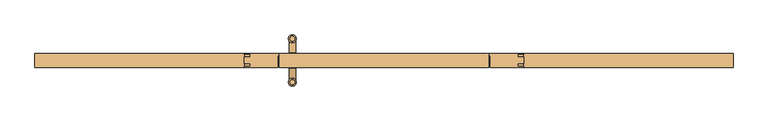
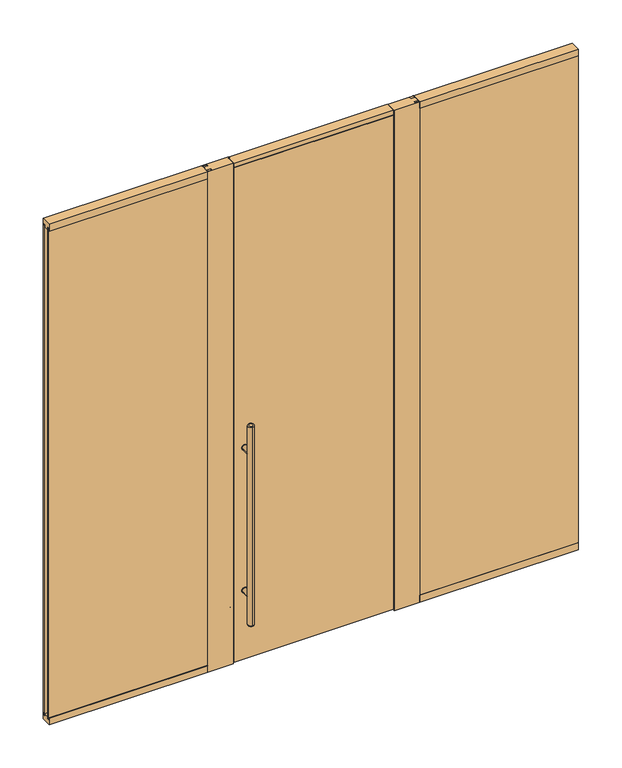
"""IFC4 building model written with IfcOpenShell, lengths in millimetres: door geometry."""

from ifc_helpers import new_model, si_unit, point, frame, frame_2d, origin, origin_with_axes, place, context, project, spatial, polyline, circle_curve, ellipse_curve, trimmed, segment, composite_curve, outline, extrude, faceted_brep, source, transform, mapped, element, save
from ifc_brep_helpers import plane_surface, cylinder_surface, revolved_surface, advanced_brep


def door_b91dc751(model_context):
    return source(origin(), model_context, "Body", "SolidModel", [
        extrude(outline(composite_curve([segment(trimmed(circle_curve(frame_2d((428.625, -400.05)), 15.875), [point((428.625, -415.925))], [point((428.625, -384.175))], False, "CARTESIAN"), True, "CONTINUOUS"), segment(trimmed(circle_curve(frame_2d((428.625, -400.05)), 15.875), [point((428.625, -384.175))], [point((428.625, -415.925))], False, "CARTESIAN"), True, "CONTINUOUS")], self_intersect=False)), frame((0.0, 30.1625, 0.0), z_axis=(0.0, 1.0, 0.0), x_axis=(0.0, 0.0, 1.0)), (0.0, 0.0, 1.0), 3.175),
        extrude(outline(composite_curve([segment(trimmed(circle_curve(frame_2d((1298.575, -400.05)), 15.875), [point((1298.575, -384.175))], [point((1298.575, -415.925))], False, "CARTESIAN"), True, "CONTINUOUS"), segment(trimmed(circle_curve(frame_2d((1298.575, -400.05)), 15.875), [point((1298.575, -415.925))], [point((1298.575, -384.175))], False, "CARTESIAN"), True, "CONTINUOUS")], self_intersect=False)), frame((0.0, 30.1625, 0.0), z_axis=(0.0, 1.0, 0.0), x_axis=(0.0, 0.0, 1.0)), (0.0, 0.0, 1.0), 3.175),
        extrude(outline(composite_curve([segment(trimmed(circle_curve(frame_2d((428.625, -400.05)), 15.875), [point((428.625, -415.925))], [point((428.625, -384.175))], False, "CARTESIAN"), True, "CONTINUOUS"), segment(trimmed(circle_curve(frame_2d((428.625, -400.05)), 15.875), [point((428.625, -384.175))], [point((428.625, -415.925))], False, "CARTESIAN"), True, "CONTINUOUS")], self_intersect=False)), frame((0.0, -33.3375, 0.0), z_axis=(0.0, 1.0, 0.0), x_axis=(0.0, 0.0, 1.0)), (0.0, 0.0, 1.0), 3.175),
        extrude(outline(composite_curve([segment(trimmed(circle_curve(frame_2d((1298.575, -400.05)), 15.875), [point((1298.575, -415.925))], [point((1298.575, -384.175))], False, "CARTESIAN"), True, "CONTINUOUS"), segment(trimmed(circle_curve(frame_2d((1298.575, -400.05)), 15.875), [point((1298.575, -384.175))], [point((1298.575, -415.925))], False, "CARTESIAN"), True, "CONTINUOUS")], self_intersect=False)), frame((0.0, -33.3375, 0.0), z_axis=(0.0, 1.0, 0.0), x_axis=(0.0, 0.0, 1.0)), (0.0, 0.0, 1.0), 3.175),
        extrude(outline(composite_curve([segment(trimmed(circle_curve(frame_2d((428.625, -400.05)), 14.2875), [point((428.625, -385.7625))], [point((428.625, -414.3375))], False, "CARTESIAN"), True, "CONTINUOUS"), segment(trimmed(circle_curve(frame_2d((428.625, -400.05)), 14.2875), [point((428.625, -414.3375))], [point((428.625, -385.7625))], False, "CARTESIAN"), True, "CONTINUOUS")], self_intersect=False)), frame((0.0, -95.25, 0.0), z_axis=(0.0, 1.0, 0.0), x_axis=(0.0, 0.0, 1.0)), (0.0, 0.0, 1.0), 65.0875),
        extrude(outline(composite_curve([segment(trimmed(circle_curve(frame_2d((1298.575, -400.05)), 14.2875), [point((1298.575, -385.7625))], [point((1298.575, -414.3375))], False, "CARTESIAN"), True, "CONTINUOUS"), segment(trimmed(circle_curve(frame_2d((1298.575, -400.05)), 14.2875), [point((1298.575, -414.3375))], [point((1298.575, -385.7625))], False, "CARTESIAN"), True, "CONTINUOUS")], self_intersect=False)), frame((0.0, -95.25, 0.0), z_axis=(0.0, 1.0, 0.0), x_axis=(0.0, 0.0, 1.0)), (0.0, 0.0, 1.0), 65.0875),
        advanced_brep(
        [(-400.05, 84.455, 1473.2), (-400.05, 106.045, 1473.2), (-400.05, 106.045, 254.0), (-400.05, 84.455, 254.0), (-400.05, 112.395, 260.35), (-400.05, 112.395, 1466.85), (-400.05, 78.105, 1466.85), (-400.05, 78.105, 260.35)],
        [
            (0, 1, circle_curve(frame((-400.05, 95.25, 1473.2), z_axis=(0.0, 0.0, 1.0), x_axis=(0.0, -1.0, 0.0)), 10.795)),
            (1, 0, circle_curve(frame((-400.05, 95.25, 1473.2), z_axis=(0.0, 0.0, 1.0), x_axis=(0.0, -1.0, 0.0)), 10.795)),
            (2, 3, circle_curve(frame((-400.05, 95.25, 254.0), z_axis=(0.0, 0.0, -1.0), x_axis=(0.0, -1.0, 0.0)), 10.795)),
            (3, 2, circle_curve(frame((-400.05, 95.25, 254.0), z_axis=(0.0, 0.0, -1.0), x_axis=(0.0, -1.0, 0.0)), 10.795)),
            (4, 5),
            (5, 6, circle_curve(frame((-400.05, 95.25, 1466.85), z_axis=(0.0, 0.0, -1.0), x_axis=(0.0, -1.0, 0.0)), 17.145)),
            (6, 7),
            (7, 4, circle_curve(frame((-400.05, 95.25, 260.35), z_axis=(0.0, 0.0, 1.0), x_axis=(0.0, -1.0, 0.0)), 17.145)),
            (6, 5, circle_curve(frame((-400.05, 95.25, 1466.85), z_axis=(0.0, 0.0, -1.0), x_axis=(0.0, -1.0, 0.0)), 17.145)),
            (4, 7, circle_curve(frame((-400.05, 95.25, 260.35), z_axis=(0.0, 0.0, 1.0), x_axis=(0.0, -1.0, 0.0)), 17.145)),
            (3, 7, circle_curve(frame((-400.05, 84.455, 260.35), z_axis=(-1.0, 0.0, 0.0), x_axis=(0.0, -1.0, 0.0)), 6.35)),
            (4, 2, circle_curve(frame((-400.05, 106.045, 260.35), z_axis=(-1.0, 0.0, 0.0), x_axis=(0.0, 1.0, 0.0)), 6.35)),
            (6, 0, circle_curve(frame((-400.05, 84.455, 1466.85), z_axis=(-1.0, 0.0, 0.0), x_axis=(0.0, -1.0, 0.0)), 6.35)),
            (1, 5, circle_curve(frame((-400.05, 106.045, 1466.85), z_axis=(-1.0, 0.0, 0.0), x_axis=(0.0, 1.0, 0.0)), 6.35)),
        ],
        [
            plane_surface(frame((-400.05, -112.395, 1473.2), z_axis=(0.0, 0.0, 1.0), x_axis=(-1.0, 0.0, 0.0))),
            plane_surface(frame((-400.05, -112.395, 254.0), z_axis=(0.0, 0.0, -1.0), x_axis=(1.0, 0.0, 0.0))),
            cylinder_surface(frame((-400.05, 95.25, 254.0), z_axis=(0.0, 0.0, 1.0), x_axis=(0.0, -1.0, 0.0)), 17.145),
            revolved_surface(trimmed(ellipse_curve(frame((-400.05, 84.455, 260.35), z_axis=(-1.0, 0.0, 0.0), x_axis=(0.0, -1.0, 0.0)), 6.35, 6.35), [point((-400.05, 84.455, 254.0))], [point((-400.05, 78.105, 260.35))], True, "CARTESIAN"), (-400.05, 95.25, 2082.8), (0.0, 0.0, 1.0)),
            revolved_surface(trimmed(ellipse_curve(frame((-400.05, 84.455, 1466.85), z_axis=(-1.0, 0.0, 0.0), x_axis=(0.0, -1.0, 0.0)), 6.35, 6.35), [point((-400.05, 78.105, 1466.85))], [point((-400.05, 84.455, 1473.2))], True, "CARTESIAN"), (-400.05, 95.25, -355.6), (0.0, 0.0, 1.0)),
        ],
        [
            (0, [[1, 2]]),
            (1, [[3, 4]]),
            (2, [[5, 6, 7, 8]]),
            (2, [[-7, 9, -5, 10]]),
            (3, [[-4, 11, -10, 12]]),
            (3, [[-8, -11, -3, -12]]),
            (4, [[-9, 13, -2, 14]]),
            (4, [[-1, -13, -6, -14]]),
        ],
    ),
        advanced_brep(
        [(-400.05, -106.045, 1473.2), (-400.05, -84.455, 1473.2), (-400.05, -84.455, 254.0), (-400.05, -106.045, 254.0), (-400.05, -78.105, 260.35), (-400.05, -78.105, 1466.85), (-400.05, -112.395, 1466.85), (-400.05, -112.395, 260.35)],
        [
            (0, 1, circle_curve(frame((-400.05, -95.25, 1473.2), z_axis=(0.0, 0.0, 1.0), x_axis=(0.0, 1.0, 0.0)), 10.795)),
            (1, 0, circle_curve(frame((-400.05, -95.25, 1473.2), z_axis=(0.0, 0.0, 1.0), x_axis=(0.0, 1.0, 0.0)), 10.795)),
            (2, 3, circle_curve(frame((-400.05, -95.25, 254.0), z_axis=(0.0, 0.0, -1.0), x_axis=(0.0, 1.0, 0.0)), 10.795)),
            (3, 2, circle_curve(frame((-400.05, -95.25, 254.0), z_axis=(0.0, 0.0, -1.0), x_axis=(0.0, 1.0, 0.0)), 10.795)),
            (4, 5),
            (5, 6, circle_curve(frame((-400.05, -95.25, 1466.85), z_axis=(0.0, 0.0, -1.0), x_axis=(0.0, -1.0, 0.0)), 17.145)),
            (6, 7),
            (7, 4, circle_curve(frame((-400.05, -95.25, 260.35), z_axis=(0.0, 0.0, 1.0), x_axis=(0.0, -1.0, 0.0)), 17.145)),
            (6, 5, circle_curve(frame((-400.05, -95.25, 1466.85), z_axis=(0.0, 0.0, -1.0), x_axis=(0.0, -1.0, 0.0)), 17.145)),
            (4, 7, circle_curve(frame((-400.05, -95.25, 260.35), z_axis=(0.0, 0.0, 1.0), x_axis=(0.0, -1.0, 0.0)), 17.145)),
            (4, 2, circle_curve(frame((-400.05, -84.455, 260.35), z_axis=(-1.0, 0.0, 0.0), x_axis=(0.0, 1.0, 0.0)), 6.35)),
            (3, 7, circle_curve(frame((-400.05, -106.045, 260.35), z_axis=(-1.0, 0.0, 0.0), x_axis=(0.0, -1.0, 0.0)), 6.35)),
            (1, 5, circle_curve(frame((-400.05, -84.455, 1466.85), z_axis=(-1.0, 0.0, 0.0), x_axis=(0.0, 1.0, 0.0)), 6.35)),
            (6, 0, circle_curve(frame((-400.05, -106.045, 1466.85), z_axis=(-1.0, 0.0, 0.0), x_axis=(0.0, -1.0, 0.0)), 6.35)),
        ],
        [
            plane_surface(frame((-400.05, -112.395, 1473.2), z_axis=(0.0, 0.0, 1.0), x_axis=(-1.0, 0.0, 0.0))),
            plane_surface(frame((-400.05, -112.395, 254.0), z_axis=(0.0, 0.0, -1.0), x_axis=(1.0, 0.0, 0.0))),
            cylinder_surface(frame((-400.05, -95.25, 254.0), z_axis=(0.0, 0.0, 1.0), x_axis=(0.0, -1.0, 0.0)), 17.145),
            revolved_surface(trimmed(ellipse_curve(frame((-400.05, -84.455, 260.35), z_axis=(-1.0, 0.0, 0.0), x_axis=(0.0, 1.0, 0.0)), 6.35, 6.35), [point((-400.05, -78.105, 260.35))], [point((-400.05, -84.455, 254.0))], True, "CARTESIAN"), (-400.05, -95.25, 2082.8), (0.0, 0.0, -1.0)),
            revolved_surface(trimmed(ellipse_curve(frame((-400.05, -84.455, 1466.85), z_axis=(-1.0, 0.0, 0.0), x_axis=(0.0, 1.0, 0.0)), 6.35, 6.35), [point((-400.05, -84.455, 1473.2))], [point((-400.05, -78.105, 1466.85))], True, "CARTESIAN"), (-400.05, -95.25, -355.6), (0.0, 0.0, -1.0)),
        ],
        [
            (0, [[1, 2]]),
            (1, [[3, 4]]),
            (2, [[5, 6, 7, 8]]),
            (2, [[-7, 9, -5, 10]]),
            (3, [[-10, 11, -4, 12]]),
            (3, [[-3, -11, -8, -12]]),
            (4, [[-2, 13, -9, 14]]),
            (4, [[-6, -13, -1, -14]]),
        ],
    ),
        extrude(outline(composite_curve([segment(trimmed(circle_curve(frame_2d((428.625, -400.05)), 14.2875), [point((428.625, -385.7625))], [point((428.625, -414.3375))], False, "CARTESIAN"), True, "CONTINUOUS"), segment(trimmed(circle_curve(frame_2d((428.625, -400.05)), 14.2875), [point((428.625, -414.3375))], [point((428.625, -385.7625))], False, "CARTESIAN"), True, "CONTINUOUS")], self_intersect=False)), frame((0.0, 30.1625, 0.0), z_axis=(0.0, 1.0, 0.0), x_axis=(0.0, 0.0, 1.0)), (0.0, 0.0, 1.0), 65.0875),
        extrude(outline(composite_curve([segment(trimmed(circle_curve(frame_2d((1298.575, -400.05)), 14.2875), [point((1298.575, -385.7625))], [point((1298.575, -414.3375))], False, "CARTESIAN"), True, "CONTINUOUS"), segment(trimmed(circle_curve(frame_2d((1298.575, -400.05)), 14.2875), [point((1298.575, -414.3375))], [point((1298.575, -385.7625))], False, "CARTESIAN"), True, "CONTINUOUS")], self_intersect=False)), frame((0.0, 30.1625, 0.0), z_axis=(0.0, 1.0, 0.0), x_axis=(0.0, 0.0, 1.0)), (0.0, 0.0, 1.0), 65.0875),
        extrude(outline(polyline([(-1524.0, -14.2875), (-584.2, -14.2875), (-584.2, -26.9875), (-1524.0, -26.9875), (-1524.0, -14.2875)])), frame((0.0, 0.0, 28.575), z_axis=(0.0, 0.0, 1.0), x_axis=(1.0, 0.0, 0.0)), (0.0, 0.0, 1.0), 2990.85),
        extrude(outline(polyline([(1524.0, -14.2875), (1524.0, -26.9875), (584.2, -26.9875), (584.2, -14.2875), (1524.0, -14.2875)])), origin_with_axes(), (0.0, 0.0, 1.0), 3019.425),
        faceted_brep([(447.675, 30.1625, 9.525), (447.675, 17.4625, 9.525), (457.2, 17.4625, 9.525), (457.2, -30.1625, 9.525), (-457.2, -30.1625, 9.525), (-457.2, 17.4625, 9.525), (-447.675, 17.4625, 9.525), (-447.675, 30.1625, 9.525), (457.2, 17.4625, 3008.8047049), (457.2, 14.2875, 3008.8047049), (457.2, 14.2875, 3019.425), (457.2, -30.1625, 3019.425), (-457.2, -30.1625, 3019.425), (447.675, 17.4625, 3008.8047049), (-457.2, 14.2875, 3019.425), (-457.2, 14.2875, 3008.8047049), (-457.2, 17.4625, 3008.8047049), (-447.675, 17.4625, 3008.8047049), (-447.675, 30.1625, 3008.8047049), (447.675, 30.1625, 3008.8047049)], [[[0, 1, 2, 3, 4, 5, 6, 7]], [[2, 8, 9, 10, 11, 3]], [[12, 4, 3, 11]], [[1, 13, 8, 2]], [[4, 12, 14, 15, 16, 5]], [[5, 16, 17, 6]], [[7, 18, 19, 0]], [[0, 19, 13, 1]], [[6, 17, 18, 7]], [[11, 10, 14, 12]], [[15, 14, 10, 9]], [[9, 8, 13, 19, 18, 17, 16, 15]]]),
        faceted_brep([(457.2, -30.1625, 3048.0), (457.2, -30.1625, 3021.5047049), (457.2, 14.2875, 3021.5047049), (457.2, 17.4625, 3021.5047049), (457.2, 17.4625, 3011.9797049), (457.2, 30.1625, 3011.9797049), (457.2, 30.1625, 3048.0), (-457.2, -30.1625, 3048.0), (-457.2, 30.1625, 3048.0), (-457.2, 30.1625, 3011.9797049), (-457.2, 17.4625, 3011.9797049), (-457.2, 17.4625, 3021.5047049), (-457.2, 14.2875, 3021.5047049), (-457.2, -30.1625, 3021.5047049)], [[[0, 1, 2, 3, 4, 5, 6]], [[7, 8, 9, 10, 11, 12, 13]], [[9, 8, 6, 5]], [[6, 8, 7, 0]], [[4, 10, 9, 5]], [[11, 10, 4, 3]], [[3, 2, 1, 13, 12, 11]], [[0, 7, 13, 1]]]),
        extrude(outline(polyline([(-1524.0, 14.2875), (-1524.0, 26.9875), (-584.2, 26.9875), (-584.2, 14.2875), (-1524.0, 14.2875)])), frame((0.0, 0.0, 28.575), z_axis=(0.0, 0.0, 1.0), x_axis=(1.0, 0.0, 0.0)), (0.0, 0.0, 1.0), 2990.85),
        extrude(outline(polyline([(1524.0, 14.2875), (584.2, 14.2875), (584.2, 26.9875), (1524.0, 26.9875), (1524.0, 14.2875)])), origin_with_axes(), (0.0, 0.0, 1.0), 3019.425),
        extrude(outline(polyline([(609.6, -26.9875), (609.6, -30.1625), (463.55, -30.1625), (463.55, 20.6375), (454.025, 20.6375), (454.025, 30.1625), (609.6, 30.1625), (609.6, 26.9875), (584.2, 26.9875), (584.2, 14.2875), (609.6, 14.2875), (609.6, -14.2875), (584.2, -14.2875), (584.2, -26.9875), (609.6, -26.9875)])), origin_with_axes(), (0.0, 0.0, 1.0), 3048.0),
        extrude(outline(polyline([(-609.6, -26.9875), (-584.2, -26.9875), (-584.2, -14.2875), (-609.6, -14.2875), (-609.6, 14.2875), (-584.2, 14.2875), (-584.2, 26.9875), (-609.6, 26.9875), (-609.6, 30.1625), (-454.025, 30.1625), (-454.025, 20.6375), (-463.55, 20.6375), (-463.55, -30.1625), (-609.6, -30.1625), (-609.6, -26.9875)])), origin_with_axes(), (0.0, 0.0, 1.0), 3048.0),
        extrude(outline(polyline([(-30.1625, 3048.0), (30.1625, 3048.0), (30.1625, 3006.725), (26.9875, 3006.725), (26.9875, 3019.425), (14.2875, 3019.425), (14.2875, 3006.725), (-14.2875, 3006.725), (-14.2875, 3019.425), (-26.9875, 3019.425), (-26.9875, 3006.725), (-30.1625, 3006.725), (-30.1625, 3048.0)])), frame((-1524.0, 0.0, 0.0), z_axis=(1.0, 0.0, 0.0), x_axis=(0.0, 1.0, 0.0)), (0.0, 0.0, 1.0), 914.4),
        extrude(outline(polyline([(-30.1625, 3048.0), (30.1625, 3048.0), (30.1625, 3006.725), (26.9875, 3006.725), (26.9875, 3019.425), (14.2875, 3019.425), (14.2875, 3006.725), (-14.2875, 3006.725), (-14.2875, 3019.425), (-26.9875, 3019.425), (-26.9875, 3006.725), (-30.1625, 3006.725), (-30.1625, 3048.0)])), frame((609.6, 0.0, 0.0), z_axis=(1.0, 0.0, 0.0), x_axis=(0.0, 1.0, 0.0)), (0.0, 0.0, 1.0), 914.4),
        extrude(outline(polyline([(-30.1625, 0.0), (-30.1625, 41.275), (-26.9875, 41.275), (-26.9875, 28.575), (-14.2875, 28.575), (-14.2875, 41.275), (14.2875, 41.275), (14.2875, 28.575), (26.9875, 28.575), (26.9875, 41.275), (30.1625, 41.275), (30.1625, 0.0), (-30.1625, 0.0)])), frame((-1524.0, 0.0, 0.0), z_axis=(1.0, 0.0, 0.0), x_axis=(0.0, 1.0, 0.0)), (0.0, 0.0, 1.0), 914.4),
        extrude(outline(polyline([(-30.1625, 0.0), (-30.1625, 41.275), (-26.9875, 41.275), (-26.9875, 28.575), (-14.2875, 28.575), (-14.2875, 41.275), (14.2875, 41.275), (14.2875, 28.575), (26.9875, 28.575), (26.9875, 41.275), (30.1625, 41.275), (30.1625, 0.0), (-30.1625, 0.0)])), frame((609.6, 0.0, 0.0), z_axis=(1.0, 0.0, 0.0), x_axis=(0.0, 1.0, 0.0)), (0.0, 0.0, 1.0), 914.4),
    ])


if __name__ == "__main__":
    model = new_model("IFC4")
    model_context = context("Model", 3, world=origin())
    ifc_project = project(units=[si_unit("LENGTHUNIT", "METRE", prefix="MILLI")], contexts=[model_context])
    site = spatial("IfcSite", under=ifc_project)
    building = spatial("IfcBuilding", under=site)
    placement = place(None, origin())
    door_shape = door_b91dc751(model_context)
    element("IfcDoor", 1, at=placement, inside=building, context=model_context, shape_type="MappedRepresentation", body=[
        mapped(door_shape, transform((0.0, 0.0, 0.0), x_axis=(1.0, 0.0, 0.0), y_axis=(0.0, 1.0, 0.0), z_axis=(0.0, 0.0, 1.0))),
    ])
    save(model, "model.ifc")
